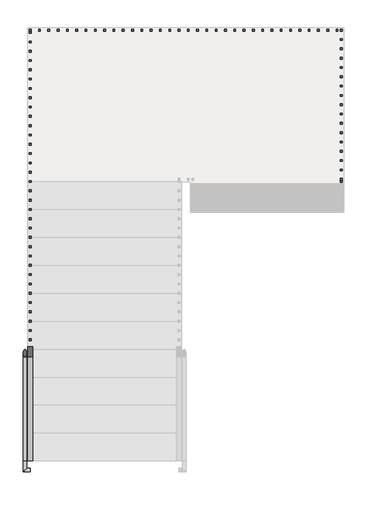
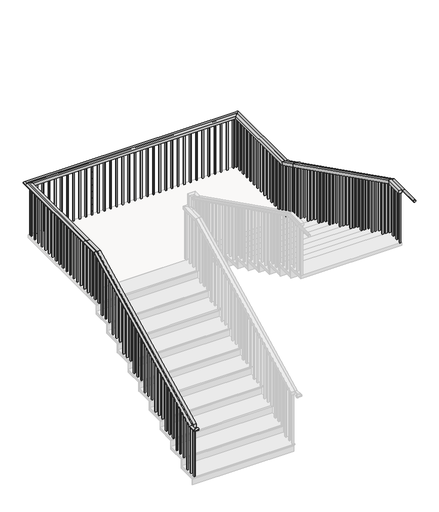
# One storey, part 2 of 3: 1 railing.
"""IFC4 building model written with IfcOpenShell, lengths in millimetres."""

from ifc_helpers import new_model, si_unit, frame, origin, place, context, project, spatial, polyline, circle_curve, ellipse_curve, outline, extrude, faceted_brep, element, save
from ifc_brep_helpers import plane_surface, cylinder_surface, advanced_brep

model = new_model("IFC4")

# Units and contexts
model_context = context("Model", 3, world=origin())
ifc_project = project(units=[si_unit("LENGTHUNIT", "METRE", prefix="MILLI")], contexts=[model_context])

# Site, building, storey
site = spatial("IfcSite", under=ifc_project)
building = spatial("IfcBuilding", under=site)
storey = spatial("IfcBuildingStorey", under=building, Elevation=-3632.2)

# Railing
placement = place(None, origin())
element("IfcRailing", 1, ObjectType="Handrail - Rectangular", at=placement, inside=storey, context=model_context, shape_type="SolidModel", body=[
    advanced_brep(
    [(-156546.9011888, 221692.8927694, -3016.25), (-156508.8011888, 221692.8927694, -3016.25), (-156508.8011888, 224436.0927694, -1644.65), (-156546.9011888, 224436.0927694, -1644.65), (-156508.8011888, 224736.3956745, -1644.65), (-156546.9011888, 224736.3956745, -1644.65), (-156508.8011888, 226425.4956745, -1644.65), (-156546.9011888, 226463.5956745, -1644.65), (-153031.8739901, 226425.4956745, -1644.65), (-152993.7739901, 226463.5956745, -1644.65), (-153031.8739901, 225036.6985795, -1644.65), (-152993.7739901, 225036.6985795, -1644.65), (-153031.8739901, 224727.8762555, -1490.238838), (-152993.7739901, 224727.8762555, -1490.238838), (-153031.8739901, 221988.6985795, -120.65), (-152993.7739901, 221988.6985795, -120.65), (-153031.8739901, 221688.3956745, -120.65), (-152993.7739901, 221688.3956745, -120.65), (-156470.7011888, 221605.8456745, -3016.25), (-156470.7011888, 221567.7456745, -3016.25), (-156508.8011888, 221605.8456745, -3016.25), (-156546.9011888, 221567.7456745, -3016.25), (-153031.8739901, 221383.5956745, -120.65), (-152993.7739901, 221383.5956745, -120.65)],
    [
        (0, 1, ellipse_curve(frame((-156527.8511888, 221692.8927694, -3016.25), z_axis=(0.0, 0.9732489894677302, 0.22975292054736124), x_axis=(0.0, 0.22975292054736138, -0.97324898946773)), 19.573614, 19.05)),
        (1, 2),
        (2, 3, ellipse_curve(frame((-156527.8511888, 224436.0927694, -1644.65), z_axis=(0.0, -0.9732489894677302, -0.22975292054736132), x_axis=(0.0, 0.2297529205473615, -0.9732489894677301)), 19.573614, 19.05)),
        (3, 0),
        (1, 0, ellipse_curve(frame((-156527.8511888, 221692.8927694, -3016.25), z_axis=(0.0, 0.9732489894677302, 0.22975292054736124), x_axis=(0.0, 0.22975292054736138, -0.97324898946773)), 19.573614, 19.05)),
        (3, 2, ellipse_curve(frame((-156527.8511888, 224436.0927694, -1644.65), z_axis=(0.0, -0.9732489894677302, -0.22975292054736132), x_axis=(0.0, 0.2297529205473615, -0.9732489894677301)), 19.573614, 19.05)),
        (2, 4),
        (4, 5, circle_curve(frame((-156527.8511888, 224736.3956745, -1644.65), z_axis=(0.0, -1.0, 0.0), x_axis=(-1.0, 0.0, 0.0)), 19.05)),
        (5, 3),
        (5, 4, circle_curve(frame((-156527.8511888, 224736.3956745, -1644.65), z_axis=(0.0, -1.0, 0.0), x_axis=(-1.0, 0.0, 0.0)), 19.05)),
        (4, 6),
        (6, 7, ellipse_curve(frame((-156527.8511888, 226444.5456745, -1644.65), z_axis=(-0.7071067811865475, -0.7071067811865475, 0.0), x_axis=(0.7071067811865474, -0.7071067811865476, 0.0)), 26.9407684, 19.05)),
        (7, 5),
        (7, 6, ellipse_curve(frame((-156527.8511888, 226444.5456745, -1644.65), z_axis=(-0.7071067811865475, -0.7071067811865475, 0.0), x_axis=(0.7071067811865474, -0.7071067811865476, 0.0)), 26.9407684, 19.05)),
        (6, 8),
        (8, 9, ellipse_curve(frame((-153012.8239901, 226444.5456745, -1644.65), z_axis=(-0.7071067811865475, 0.7071067811865475, 0.0), x_axis=(-0.7071067811865476, -0.7071067811865474, 0.0)), 26.9407684, 19.05)),
        (9, 7),
        (9, 8, ellipse_curve(frame((-153012.8239901, 226444.5456745, -1644.65), z_axis=(-0.7071067811865475, 0.7071067811865475, 0.0), x_axis=(-0.7071067811865476, -0.7071067811865474, 0.0)), 26.9407684, 19.05)),
        (8, 10),
        (10, 11, ellipse_curve(frame((-153012.8239901, 225036.6985795, -1644.65), z_axis=(0.0, 0.9732489894677302, -0.22975292054736143), x_axis=(0.0, 0.2297529205473609, 0.9732489894677301)), 19.573614, 19.05)),
        (11, 9),
        (11, 10, ellipse_curve(frame((-153012.8239901, 225036.6985795, -1644.65), z_axis=(0.0, 0.9732489894677302, -0.22975292054736143), x_axis=(0.0, 0.2297529205473609, 0.9732489894677301)), 19.573614, 19.05)),
        (10, 12),
        (12, 13, circle_curve(frame((-153012.8239901, 224727.8762555, -1490.238838), z_axis=(0.0, 0.8944271909999157, -0.4472135954999582), x_axis=(1.0, 0.0, 0.0)), 19.05)),
        (13, 11),
        (13, 12, circle_curve(frame((-153012.8239901, 224727.8762555, -1490.238838), z_axis=(0.0, 0.8944271909999157, -0.4472135954999582), x_axis=(1.0, 0.0, 0.0)), 19.05)),
        (12, 14),
        (14, 15, ellipse_curve(frame((-153012.8239901, 221988.6985795, -120.65), z_axis=(0.0, 0.9732489894677302, -0.22975292054736152), x_axis=(0.0, -0.22975292054736196, -0.97324898946773)), 19.573614, 19.05)),
        (15, 13),
        (15, 14, ellipse_curve(frame((-153012.8239901, 221988.6985795, -120.65), z_axis=(0.0, 0.9732489894677302, -0.22975292054736152), x_axis=(0.0, -0.22975292054736196, -0.97324898946773)), 19.573614, 19.05)),
        (14, 16),
        (16, 17, circle_curve(frame((-153012.8239901, 221688.3956745, -120.65), z_axis=(0.0, 1.0, 0.0), x_axis=(1.0, 0.0, 0.0)), 19.05)),
        (17, 15),
        (17, 16, circle_curve(frame((-153012.8239901, 221688.3956745, -120.65), z_axis=(0.0, 1.0, 0.0), x_axis=(1.0, 0.0, 0.0)), 19.05)),
        (18, 19, circle_curve(frame((-156470.7011888, 221586.7956745, -3016.25), z_axis=(1.0, 0.0, 0.0), x_axis=(0.0, -1.0, 0.0)), 19.05)),
        (19, 18, circle_curve(frame((-156470.7011888, 221586.7956745, -3016.25), z_axis=(1.0, 0.0, 0.0), x_axis=(0.0, -1.0, 0.0)), 19.05)),
        (18, 20),
        (20, 21, ellipse_curve(frame((-156527.8511888, 221586.7956745, -3016.25), z_axis=(0.7071067811865475, -0.7071067811865475, 0.0), x_axis=(0.7071067811865476, 0.7071067811865474, 0.0)), 26.9407684, 19.05)),
        (21, 19),
        (21, 20, ellipse_curve(frame((-156527.8511888, 221586.7956745, -3016.25), z_axis=(0.7071067811865475, -0.7071067811865475, 0.0), x_axis=(0.7071067811865476, 0.7071067811865474, 0.0)), 26.9407684, 19.05)),
        (20, 1),
        (0, 21),
        (22, 23, circle_curve(frame((-153012.8239901, 221383.5956745, -120.65), z_axis=(0.0, -1.0, 0.0), x_axis=(1.0, 0.0, 0.0)), 19.05)),
        (23, 22, circle_curve(frame((-153012.8239901, 221383.5956745, -120.65), z_axis=(0.0, -1.0, 0.0), x_axis=(1.0, 0.0, 0.0)), 19.05)),
        (16, 22),
        (23, 17),
    ],
    [
        cylinder_surface(frame((-156527.8511888, 221696.9150935, -3014.238838), z_axis=(0.0, -0.8944271909999159, -0.44721359549995804), x_axis=(-1.0, 0.0, 0.0)), 19.05),
        cylinder_surface(frame((-156527.8511888, 224431.5956745, -1644.65), z_axis=(0.0, -1.0, 0.0), x_axis=(-1.0, 0.0, 0.0)), 19.05),
        cylinder_surface(frame((-156527.8511888, 224736.3956745, -1644.65), z_axis=(0.0, -1.0, 0.0), x_axis=(-1.0, 0.0, 0.0)), 19.05),
        cylinder_surface(frame((-156527.8511888, 226444.5456745, -1644.65), z_axis=(-1.0, 0.0, 0.0), x_axis=(0.0, 1.0, 0.0)), 19.05),
        cylinder_surface(frame((-153012.8239901, 226444.5456745, -1644.65), z_axis=(0.0, 1.0, 0.0), x_axis=(1.0, 0.0, 0.0)), 19.05),
        cylinder_surface(frame((-153012.8239901, 225032.6762555, -1642.638838), z_axis=(0.0, 0.8944271909999157, -0.4472135954999582), x_axis=(1.0, 0.0, 0.0)), 19.05),
        cylinder_surface(frame((-153012.8239901, 224727.8762555, -1490.238838), z_axis=(0.0, 0.8944271909999157, -0.4472135954999582), x_axis=(1.0, 0.0, 0.0)), 19.05),
        cylinder_surface(frame((-153012.8239901, 221993.1956745, -120.65), z_axis=(0.0, 1.0, 0.0), x_axis=(1.0, 0.0, 0.0)), 19.05),
        plane_surface(frame((-156470.7011888, 221586.7956745, -2997.2), z_axis=(1.0, 0.0, 0.0), x_axis=(0.0, -1.0, 0.0))),
        cylinder_surface(frame((-156470.7011888, 221586.7956745, -3016.25), z_axis=(1.0, 0.0, 0.0), x_axis=(0.0, -1.0, 0.0)), 19.05),
        cylinder_surface(frame((-156527.8511888, 221586.7956745, -3016.25), z_axis=(0.0, -1.0, 0.0), x_axis=(-1.0, 0.0, 0.0)), 19.05),
        plane_surface(frame((-153012.8239901, 221383.5956745, -101.6), z_axis=(0.0, -1.0, 0.0), x_axis=(0.0, 0.0, -1.0))),
        cylinder_surface(frame((-153012.8239901, 221688.3956745, -120.65), z_axis=(0.0, 1.0, 0.0), x_axis=(1.0, 0.0, 0.0)), 19.05),
    ],
    [
        (0, [[1, 2, 3, 4]]),
        (0, [[5, -4, 6, -2]]),
        (1, [[-3, 7, 8, 9]]),
        (1, [[-6, -9, 10, -7]]),
        (2, [[-8, 11, 12, 13]]),
        (2, [[-10, -13, 14, -11]]),
        (3, [[-12, 15, 16, 17]]),
        (3, [[-14, -17, 18, -15]]),
        (4, [[-16, 19, 20, 21]]),
        (4, [[-18, -21, 22, -19]]),
        (5, [[-20, 23, 24, 25]]),
        (5, [[-22, -25, 26, -23]]),
        (6, [[-24, 27, 28, 29]]),
        (6, [[-26, -29, 30, -27]]),
        (7, [[-28, 31, 32, 33]]),
        (7, [[-30, -33, 34, -31]]),
        (8, [[35, 36]]),
        (9, [[-35, 37, 38, 39]]),
        (9, [[-36, -39, 40, -37]]),
        (10, [[-38, 41, -1, 42]]),
        (10, [[-40, -42, -5, -41]]),
        (11, [[43, 44]]),
        (12, [[-32, 45, -44, 46]]),
        (12, [[-34, -46, -43, -45]]),
    ],
),
    faceted_brep([(-156496.1011888, 221688.3956745, -2997.2), (-156496.1011888, 221688.3956745, -3053.9961266), (-156445.3011888, 221688.3956745, -3053.9961266), (-156445.3011888, 221688.3956745, -2997.2), (-156496.1011888, 224431.5956745, -1625.6), (-156496.1011888, 224443.5879277, -1676.4), (-156445.3011888, 224443.5879277, -1676.4), (-156445.3011888, 224431.5956745, -1625.6), (-156496.1011888, 224736.3956745, -1625.6), (-156496.1011888, 224736.3956745, -1676.4), (-156445.3011888, 224736.3956745, -1676.4), (-156445.3011888, 224736.3956745, -1625.6), (-156496.1011888, 226412.7956745, -1625.6), (-156496.1011888, 226412.7956745, -1676.4), (-156445.3011888, 226361.9956745, -1676.4), (-156445.3011888, 226361.9956745, -1625.6), (-153044.5739901, 226412.7956745, -1625.6), (-153044.5739901, 226412.7956745, -1676.4), (-153095.3739901, 226361.9956745, -1676.4), (-153095.3739901, 226361.9956745, -1625.6), (-153044.5739901, 225041.1956745, -1625.6), (-153044.5739901, 225029.2034212, -1676.4), (-153095.3739901, 225029.2034212, -1676.4), (-153095.3739901, 225041.1956745, -1625.6), (-153044.5739901, 224736.3956745, -1473.2), (-153044.5739901, 224713.6772238, -1518.6369013), (-153095.3739901, 224713.6772238, -1518.6369013), (-153095.3739901, 224736.3956745, -1473.2), (-153044.5739901, 221993.1956745, -101.6), (-153044.5739901, 221981.2034212, -152.4), (-153095.3739901, 221981.2034212, -152.4), (-153095.3739901, 221993.1956745, -101.6), (-153044.5739901, 221688.3956745, -101.6), (-153095.3739901, 221688.3956745, -101.6), (-153095.3739901, 221688.3956745, -152.4), (-153044.5739901, 221688.3956745, -152.4)], [[[0, 1, 2, 3]], [[1, 0, 4, 5]], [[2, 1, 5, 6]], [[3, 2, 6, 7]], [[0, 3, 7, 4]], [[5, 4, 8, 9]], [[6, 5, 9, 10]], [[7, 6, 10, 11]], [[4, 7, 11, 8]], [[9, 8, 12, 13]], [[10, 9, 13, 14]], [[11, 10, 14, 15]], [[8, 11, 15, 12]], [[13, 12, 16, 17]], [[14, 13, 17, 18]], [[15, 14, 18, 19]], [[12, 15, 19, 16]], [[17, 16, 20, 21]], [[18, 17, 21, 22]], [[19, 18, 22, 23]], [[16, 19, 23, 20]], [[21, 20, 24, 25]], [[22, 21, 25, 26]], [[23, 22, 26, 27]], [[20, 23, 27, 24]], [[25, 24, 28, 29]], [[26, 25, 29, 30]], [[27, 26, 30, 31]], [[24, 27, 31, 28]], [[32, 33, 34, 35]], [[29, 28, 32, 35]], [[30, 29, 35, 34]], [[31, 30, 34, 33]], [[28, 31, 33, 32]]]),
    extrude(outline(polyline([(-153060.4489901, 221799.5206745), (-153060.4489901, 221780.4706745), (-153079.4989901, 221780.4706745), (-153079.4989901, 221799.5206745), (-153060.4489901, 221799.5206745)])), frame((0.0, 0.0, -1016.0), z_axis=(0.0, 0.0, 1.0), x_axis=(1.0, 0.0, 0.0)), (0.0, 0.0, 1.0), 863.6),
    extrude(outline(polyline([(-153060.4489901, 221901.1206745), (-153060.4489901, 221882.0706745), (-153079.4989901, 221882.0706745), (-153079.4989901, 221901.1206745), (-153060.4489901, 221901.1206745)])), frame((0.0, 0.0, -1016.0), z_axis=(0.0, 0.0, 1.0), x_axis=(1.0, 0.0, 0.0)), (0.0, 0.0, 1.0), 863.6),
    extrude(outline(polyline([(222002.7206745, -163.1586266), (222002.7206745, -1016.0), (221983.6706745, -1016.0), (221983.6706745, -153.6336266), (222002.7206745, -163.1586266)])), frame((-153079.4989901, 0.0, 0.0), z_axis=(1.0, 0.0, 0.0), x_axis=(0.0, 1.0, 0.0)), (0.0, 0.0, 1.0), 19.05),
    extrude(outline(polyline([(222104.3206745, -213.9586266), (222104.3206745, -1168.4), (222085.2706745, -1168.4), (222085.2706745, -204.4336266), (222104.3206745, -213.9586266)])), frame((-153079.4989901, 0.0, 0.0), z_axis=(1.0, 0.0, 0.0), x_axis=(0.0, 1.0, 0.0)), (0.0, 0.0, 1.0), 19.05),
    extrude(outline(polyline([(222205.9206745, -264.7586266), (222205.9206745, -1168.4), (222186.8706745, -1168.4), (222186.8706745, -255.2336266), (222205.9206745, -264.7586266)])), frame((-153079.4989901, 0.0, 0.0), z_axis=(1.0, 0.0, 0.0), x_axis=(0.0, 1.0, 0.0)), (0.0, 0.0, 1.0), 19.05),
    extrude(outline(polyline([(222307.5206745, -315.5586266), (222307.5206745, -1168.4), (222288.4706745, -1168.4), (222288.4706745, -306.0336266), (222307.5206745, -315.5586266)])), frame((-153079.4989901, 0.0, 0.0), z_axis=(1.0, 0.0, 0.0), x_axis=(0.0, 1.0, 0.0)), (0.0, 0.0, 1.0), 19.05),
    extrude(outline(polyline([(222409.1206745, -366.3586266), (222409.1206745, -1320.8), (222390.0706745, -1320.8), (222390.0706745, -356.8336266), (222409.1206745, -366.3586266)])), frame((-153079.4989901, 0.0, 0.0), z_axis=(1.0, 0.0, 0.0), x_axis=(0.0, 1.0, 0.0)), (0.0, 0.0, 1.0), 19.05),
    extrude(outline(polyline([(222510.7206745, -417.1586266), (222510.7206745, -1320.8), (222491.6706745, -1320.8), (222491.6706745, -407.6336266), (222510.7206745, -417.1586266)])), frame((-153079.4989901, 0.0, 0.0), z_axis=(1.0, 0.0, 0.0), x_axis=(0.0, 1.0, 0.0)), (0.0, 0.0, 1.0), 19.05),
    extrude(outline(polyline([(222612.3206745, -467.9586266), (222612.3206745, -1320.8), (222593.2706745, -1320.8), (222593.2706745, -458.4336266), (222612.3206745, -467.9586266)])), frame((-153079.4989901, 0.0, 0.0), z_axis=(1.0, 0.0, 0.0), x_axis=(0.0, 1.0, 0.0)), (0.0, 0.0, 1.0), 19.05),
    extrude(outline(polyline([(222713.9206745, -518.7586266), (222713.9206745, -1473.2), (222694.8706745, -1473.2), (222694.8706745, -509.2336266), (222713.9206745, -518.7586266)])), frame((-153079.4989901, 0.0, 0.0), z_axis=(1.0, 0.0, 0.0), x_axis=(0.0, 1.0, 0.0)), (0.0, 0.0, 1.0), 19.05),
    extrude(outline(polyline([(222815.5206745, -569.5586266), (222815.5206745, -1473.2), (222796.4706745, -1473.2), (222796.4706745, -560.0336266), (222815.5206745, -569.5586266)])), frame((-153079.4989901, 0.0, 0.0), z_axis=(1.0, 0.0, 0.0), x_axis=(0.0, 1.0, 0.0)), (0.0, 0.0, 1.0), 19.05),
    extrude(outline(polyline([(222917.1206745, -620.3586266), (222917.1206745, -1473.2), (222898.0706745, -1473.2), (222898.0706745, -610.8336266), (222917.1206745, -620.3586266)])), frame((-153079.4989901, 0.0, 0.0), z_axis=(1.0, 0.0, 0.0), x_axis=(0.0, 1.0, 0.0)), (0.0, 0.0, 1.0), 19.05),
    extrude(outline(polyline([(223018.7206745, -671.1586266), (223018.7206745, -1625.6), (222999.6706745, -1625.6), (222999.6706745, -661.6336266), (223018.7206745, -671.1586266)])), frame((-153079.4989901, 0.0, 0.0), z_axis=(1.0, 0.0, 0.0), x_axis=(0.0, 1.0, 0.0)), (0.0, 0.0, 1.0), 19.05),
    extrude(outline(polyline([(223120.3206745, -721.9586266), (223120.3206745, -1625.6), (223101.2706745, -1625.6), (223101.2706745, -712.4336266), (223120.3206745, -721.9586266)])), frame((-153079.4989901, 0.0, 0.0), z_axis=(1.0, 0.0, 0.0), x_axis=(0.0, 1.0, 0.0)), (0.0, 0.0, 1.0), 19.05),
    extrude(outline(polyline([(223221.9206745, -772.7586266), (223221.9206745, -1625.6), (223202.8706745, -1625.6), (223202.8706745, -763.2336266), (223221.9206745, -772.7586266)])), frame((-153079.4989901, 0.0, 0.0), z_axis=(1.0, 0.0, 0.0), x_axis=(0.0, 1.0, 0.0)), (0.0, 0.0, 1.0), 19.05),
    extrude(outline(polyline([(223323.5206745, -823.5586266), (223323.5206745, -1778.0), (223304.4706745, -1778.0), (223304.4706745, -814.0336266), (223323.5206745, -823.5586266)])), frame((-153079.4989901, 0.0, 0.0), z_axis=(1.0, 0.0, 0.0), x_axis=(0.0, 1.0, 0.0)), (0.0, 0.0, 1.0), 19.05),
    extrude(outline(polyline([(223425.1206745, -874.3586266), (223425.1206745, -1778.0), (223406.0706745, -1778.0), (223406.0706745, -864.8336266), (223425.1206745, -874.3586266)])), frame((-153079.4989901, 0.0, 0.0), z_axis=(1.0, 0.0, 0.0), x_axis=(0.0, 1.0, 0.0)), (0.0, 0.0, 1.0), 19.05),
    extrude(outline(polyline([(223526.7206745, -925.1586266), (223526.7206745, -1778.0), (223507.6706745, -1778.0), (223507.6706745, -915.6336266), (223526.7206745, -925.1586266)])), frame((-153079.4989901, 0.0, 0.0), z_axis=(1.0, 0.0, 0.0), x_axis=(0.0, 1.0, 0.0)), (0.0, 0.0, 1.0), 19.05),
    extrude(outline(polyline([(223628.3206745, -975.9586266), (223628.3206745, -1930.4), (223609.2706745, -1930.4), (223609.2706745, -966.4336266), (223628.3206745, -975.9586266)])), frame((-153079.4989901, 0.0, 0.0), z_axis=(1.0, 0.0, 0.0), x_axis=(0.0, 1.0, 0.0)), (0.0, 0.0, 1.0), 19.05),
    extrude(outline(polyline([(223729.9206745, -1026.7586266), (223729.9206745, -1930.4), (223710.8706745, -1930.4), (223710.8706745, -1017.2336266), (223729.9206745, -1026.7586266)])), frame((-153079.4989901, 0.0, 0.0), z_axis=(1.0, 0.0, 0.0), x_axis=(0.0, 1.0, 0.0)), (0.0, 0.0, 1.0), 19.05),
    extrude(outline(polyline([(223831.5206745, -1077.5586266), (223831.5206745, -1930.4), (223812.4706745, -1930.4), (223812.4706745, -1068.0336266), (223831.5206745, -1077.5586266)])), frame((-153079.4989901, 0.0, 0.0), z_axis=(1.0, 0.0, 0.0), x_axis=(0.0, 1.0, 0.0)), (0.0, 0.0, 1.0), 19.05),
    extrude(outline(polyline([(223933.1206745, -1128.3586266), (223933.1206745, -2082.8), (223914.0706745, -2082.8), (223914.0706745, -1118.8336266), (223933.1206745, -1128.3586266)])), frame((-153079.4989901, 0.0, 0.0), z_axis=(1.0, 0.0, 0.0), x_axis=(0.0, 1.0, 0.0)), (0.0, 0.0, 1.0), 19.05),
    extrude(outline(polyline([(224034.7206745, -1179.1586266), (224034.7206745, -2082.8), (224015.6706745, -2082.8), (224015.6706745, -1169.6336266), (224034.7206745, -1179.1586266)])), frame((-153079.4989901, 0.0, 0.0), z_axis=(1.0, 0.0, 0.0), x_axis=(0.0, 1.0, 0.0)), (0.0, 0.0, 1.0), 19.05),
    extrude(outline(polyline([(224136.3206745, -1229.9586266), (224136.3206745, -2082.8), (224117.2706745, -2082.8), (224117.2706745, -1220.4336266), (224136.3206745, -1229.9586266)])), frame((-153079.4989901, 0.0, 0.0), z_axis=(1.0, 0.0, 0.0), x_axis=(0.0, 1.0, 0.0)), (0.0, 0.0, 1.0), 19.05),
    extrude(outline(polyline([(224237.9206745, -1280.7586266), (224237.9206745, -2235.2), (224218.8706745, -2235.2), (224218.8706745, -1271.2336266), (224237.9206745, -1280.7586266)])), frame((-153079.4989901, 0.0, 0.0), z_axis=(1.0, 0.0, 0.0), x_axis=(0.0, 1.0, 0.0)), (0.0, 0.0, 1.0), 19.05),
    extrude(outline(polyline([(224339.5206745, -1331.5586266), (224339.5206745, -2235.2), (224320.4706745, -2235.2), (224320.4706745, -1322.0336266), (224339.5206745, -1331.5586266)])), frame((-153079.4989901, 0.0, 0.0), z_axis=(1.0, 0.0, 0.0), x_axis=(0.0, 1.0, 0.0)), (0.0, 0.0, 1.0), 19.05),
    extrude(outline(polyline([(224441.1206745, -1382.3586266), (224441.1206745, -2235.2), (224422.0706745, -2235.2), (224422.0706745, -1372.8336266), (224441.1206745, -1382.3586266)])), frame((-153079.4989901, 0.0, 0.0), z_axis=(1.0, 0.0, 0.0), x_axis=(0.0, 1.0, 0.0)), (0.0, 0.0, 1.0), 19.05),
    extrude(outline(polyline([(224542.7206745, -1433.1586266), (224542.7206745, -2387.6), (224523.6706745, -2387.6), (224523.6706745, -1423.6336266), (224542.7206745, -1433.1586266)])), frame((-153079.4989901, 0.0, 0.0), z_axis=(1.0, 0.0, 0.0), x_axis=(0.0, 1.0, 0.0)), (0.0, 0.0, 1.0), 19.05),
    extrude(outline(polyline([(224644.3206745, -1483.9586266), (224644.3206745, -2387.6), (224625.2706745, -2387.6), (224625.2706745, -1474.4336266), (224644.3206745, -1483.9586266)])), frame((-153079.4989901, 0.0, 0.0), z_axis=(1.0, 0.0, 0.0), x_axis=(0.0, 1.0, 0.0)), (0.0, 0.0, 1.0), 19.05),
    extrude(outline(polyline([(224771.3206745, -1547.4586266), (224771.3206745, -2540.0), (224752.2706745, -2540.0), (224752.2706745, -1537.9336266), (224771.3206745, -1547.4586266)])), frame((-153079.4989901, 0.0, 0.0), z_axis=(1.0, 0.0, 0.0), x_axis=(0.0, 1.0, 0.0)), (0.0, 0.0, 1.0), 19.05),
    extrude(outline(polyline([(224872.9206745, -1598.2586266), (224872.9206745, -2540.0), (224853.8706745, -2540.0), (224853.8706745, -1588.7336266), (224872.9206745, -1598.2586266)])), frame((-153079.4989901, 0.0, 0.0), z_axis=(1.0, 0.0, 0.0), x_axis=(0.0, 1.0, 0.0)), (0.0, 0.0, 1.0), 19.05),
    extrude(outline(polyline([(224974.5206745, -1649.0586266), (224974.5206745, -2540.0), (224955.4706745, -2540.0), (224955.4706745, -1639.5336266), (224974.5206745, -1649.0586266)])), frame((-153079.4989901, 0.0, 0.0), z_axis=(1.0, 0.0, 0.0), x_axis=(0.0, 1.0, 0.0)), (0.0, 0.0, 1.0), 19.05),
    extrude(outline(polyline([(-153060.4489901, 225076.1206745), (-153060.4489901, 225057.0706745), (-153079.4989901, 225057.0706745), (-153079.4989901, 225076.1206745), (-153060.4489901, 225076.1206745)])), frame((0.0, 0.0, -2540.0), z_axis=(0.0, 0.0, 1.0), x_axis=(1.0, 0.0, 0.0)), (0.0, 0.0, 1.0), 863.6),
    extrude(outline(polyline([(-153060.4489901, 225177.7206745), (-153060.4489901, 225158.6706745), (-153079.4989901, 225158.6706745), (-153079.4989901, 225177.7206745), (-153060.4489901, 225177.7206745)])), frame((0.0, 0.0, -2540.0), z_axis=(0.0, 0.0, 1.0), x_axis=(1.0, 0.0, 0.0)), (0.0, 0.0, 1.0), 863.6),
    extrude(outline(polyline([(-153060.4489901, 225279.3206745), (-153060.4489901, 225260.2706745), (-153079.4989901, 225260.2706745), (-153079.4989901, 225279.3206745), (-153060.4489901, 225279.3206745)])), frame((0.0, 0.0, -2540.0), z_axis=(0.0, 0.0, 1.0), x_axis=(1.0, 0.0, 0.0)), (0.0, 0.0, 1.0), 863.6),
    extrude(outline(polyline([(-153060.4489901, 225380.9206745), (-153060.4489901, 225361.8706745), (-153079.4989901, 225361.8706745), (-153079.4989901, 225380.9206745), (-153060.4489901, 225380.9206745)])), frame((0.0, 0.0, -2540.0), z_axis=(0.0, 0.0, 1.0), x_axis=(1.0, 0.0, 0.0)), (0.0, 0.0, 1.0), 863.6),
    extrude(outline(polyline([(-153060.4489901, 225482.5206745), (-153060.4489901, 225463.4706745), (-153079.4989901, 225463.4706745), (-153079.4989901, 225482.5206745), (-153060.4489901, 225482.5206745)])), frame((0.0, 0.0, -2540.0), z_axis=(0.0, 0.0, 1.0), x_axis=(1.0, 0.0, 0.0)), (0.0, 0.0, 1.0), 863.6),
    extrude(outline(polyline([(-153060.4489901, 225584.1206745), (-153060.4489901, 225565.0706745), (-153079.4989901, 225565.0706745), (-153079.4989901, 225584.1206745), (-153060.4489901, 225584.1206745)])), frame((0.0, 0.0, -2540.0), z_axis=(0.0, 0.0, 1.0), x_axis=(1.0, 0.0, 0.0)), (0.0, 0.0, 1.0), 863.6),
    extrude(outline(polyline([(-153060.4489901, 225685.7206745), (-153060.4489901, 225666.6706745), (-153079.4989901, 225666.6706745), (-153079.4989901, 225685.7206745), (-153060.4489901, 225685.7206745)])), frame((0.0, 0.0, -2540.0), z_axis=(0.0, 0.0, 1.0), x_axis=(1.0, 0.0, 0.0)), (0.0, 0.0, 1.0), 863.6),
    extrude(outline(polyline([(-153060.4489901, 225787.3206745), (-153060.4489901, 225768.2706745), (-153079.4989901, 225768.2706745), (-153079.4989901, 225787.3206745), (-153060.4489901, 225787.3206745)])), frame((0.0, 0.0, -2540.0), z_axis=(0.0, 0.0, 1.0), x_axis=(1.0, 0.0, 0.0)), (0.0, 0.0, 1.0), 863.6),
    extrude(outline(polyline([(-153060.4489901, 225888.9206745), (-153060.4489901, 225869.8706745), (-153079.4989901, 225869.8706745), (-153079.4989901, 225888.9206745), (-153060.4489901, 225888.9206745)])), frame((0.0, 0.0, -2540.0), z_axis=(0.0, 0.0, 1.0), x_axis=(1.0, 0.0, 0.0)), (0.0, 0.0, 1.0), 863.6),
    extrude(outline(polyline([(-153060.4489901, 225990.5206745), (-153060.4489901, 225971.4706745), (-153079.4989901, 225971.4706745), (-153079.4989901, 225990.5206745), (-153060.4489901, 225990.5206745)])), frame((0.0, 0.0, -2540.0), z_axis=(0.0, 0.0, 1.0), x_axis=(1.0, 0.0, 0.0)), (0.0, 0.0, 1.0), 863.6),
    extrude(outline(polyline([(-153060.4489901, 226092.1206745), (-153060.4489901, 226073.0706745), (-153079.4989901, 226073.0706745), (-153079.4989901, 226092.1206745), (-153060.4489901, 226092.1206745)])), frame((0.0, 0.0, -2540.0), z_axis=(0.0, 0.0, 1.0), x_axis=(1.0, 0.0, 0.0)), (0.0, 0.0, 1.0), 863.6),
    extrude(outline(polyline([(-153060.4489901, 226193.7206745), (-153060.4489901, 226174.6706745), (-153079.4989901, 226174.6706745), (-153079.4989901, 226193.7206745), (-153060.4489901, 226193.7206745)])), frame((0.0, 0.0, -2540.0), z_axis=(0.0, 0.0, 1.0), x_axis=(1.0, 0.0, 0.0)), (0.0, 0.0, 1.0), 863.6),
    extrude(outline(polyline([(-153060.4489901, 226295.3206745), (-153060.4489901, 226276.2706745), (-153079.4989901, 226276.2706745), (-153079.4989901, 226295.3206745), (-153060.4489901, 226295.3206745)])), frame((0.0, 0.0, -2540.0), z_axis=(0.0, 0.0, 1.0), x_axis=(1.0, 0.0, 0.0)), (0.0, 0.0, 1.0), 863.6),
    extrude(outline(polyline([(-153127.4261888, 226396.9206745), (-153108.3761888, 226396.9206745), (-153108.3761888, 226377.8706745), (-153127.4261888, 226377.8706745), (-153127.4261888, 226396.9206745)])), frame((0.0, 0.0, -2540.0), z_axis=(0.0, 0.0, 1.0), x_axis=(1.0, 0.0, 0.0)), (0.0, 0.0, 1.0), 863.6),
    extrude(outline(polyline([(-153229.0261888, 226396.9206745), (-153209.9761888, 226396.9206745), (-153209.9761888, 226377.8706745), (-153229.0261888, 226377.8706745), (-153229.0261888, 226396.9206745)])), frame((0.0, 0.0, -2540.0), z_axis=(0.0, 0.0, 1.0), x_axis=(1.0, 0.0, 0.0)), (0.0, 0.0, 1.0), 863.6),
    extrude(outline(polyline([(-153330.6261888, 226396.9206745), (-153311.5761888, 226396.9206745), (-153311.5761888, 226377.8706745), (-153330.6261888, 226377.8706745), (-153330.6261888, 226396.9206745)])), frame((0.0, 0.0, -2540.0), z_axis=(0.0, 0.0, 1.0), x_axis=(1.0, 0.0, 0.0)), (0.0, 0.0, 1.0), 863.6),
    extrude(outline(polyline([(-153432.2261888, 226396.9206745), (-153413.1761888, 226396.9206745), (-153413.1761888, 226377.8706745), (-153432.2261888, 226377.8706745), (-153432.2261888, 226396.9206745)])), frame((0.0, 0.0, -2540.0), z_axis=(0.0, 0.0, 1.0), x_axis=(1.0, 0.0, 0.0)), (0.0, 0.0, 1.0), 863.6),
    extrude(outline(polyline([(-153533.8261888, 226396.9206745), (-153514.7761888, 226396.9206745), (-153514.7761888, 226377.8706745), (-153533.8261888, 226377.8706745), (-153533.8261888, 226396.9206745)])), frame((0.0, 0.0, -2540.0), z_axis=(0.0, 0.0, 1.0), x_axis=(1.0, 0.0, 0.0)), (0.0, 0.0, 1.0), 863.6),
    extrude(outline(polyline([(-153635.4261888, 226396.9206745), (-153616.3761888, 226396.9206745), (-153616.3761888, 226377.8706745), (-153635.4261888, 226377.8706745), (-153635.4261888, 226396.9206745)])), frame((0.0, 0.0, -2540.0), z_axis=(0.0, 0.0, 1.0), x_axis=(1.0, 0.0, 0.0)), (0.0, 0.0, 1.0), 863.6),
    extrude(outline(polyline([(-153737.0261888, 226396.9206745), (-153717.9761888, 226396.9206745), (-153717.9761888, 226377.8706745), (-153737.0261888, 226377.8706745), (-153737.0261888, 226396.9206745)])), frame((0.0, 0.0, -2540.0), z_axis=(0.0, 0.0, 1.0), x_axis=(1.0, 0.0, 0.0)), (0.0, 0.0, 1.0), 863.6),
    extrude(outline(polyline([(-153838.6261888, 226396.9206745), (-153819.5761888, 226396.9206745), (-153819.5761888, 226377.8706745), (-153838.6261888, 226377.8706745), (-153838.6261888, 226396.9206745)])), frame((0.0, 0.0, -2540.0), z_axis=(0.0, 0.0, 1.0), x_axis=(1.0, 0.0, 0.0)), (0.0, 0.0, 1.0), 863.6),
    extrude(outline(polyline([(-153940.2261888, 226396.9206745), (-153921.1761888, 226396.9206745), (-153921.1761888, 226377.8706745), (-153940.2261888, 226377.8706745), (-153940.2261888, 226396.9206745)])), frame((0.0, 0.0, -2540.0), z_axis=(0.0, 0.0, 1.0), x_axis=(1.0, 0.0, 0.0)), (0.0, 0.0, 1.0), 863.6),
    extrude(outline(polyline([(-154041.8261888, 226396.9206745), (-154022.7761888, 226396.9206745), (-154022.7761888, 226377.8706745), (-154041.8261888, 226377.8706745), (-154041.8261888, 226396.9206745)])), frame((0.0, 0.0, -2540.0), z_axis=(0.0, 0.0, 1.0), x_axis=(1.0, 0.0, 0.0)), (0.0, 0.0, 1.0), 863.6),
    extrude(outline(polyline([(-154143.4261888, 226396.9206745), (-154124.3761888, 226396.9206745), (-154124.3761888, 226377.8706745), (-154143.4261888, 226377.8706745), (-154143.4261888, 226396.9206745)])), frame((0.0, 0.0, -2540.0), z_axis=(0.0, 0.0, 1.0), x_axis=(1.0, 0.0, 0.0)), (0.0, 0.0, 1.0), 863.6),
    extrude(outline(polyline([(-154245.0261888, 226396.9206745), (-154225.9761888, 226396.9206745), (-154225.9761888, 226377.8706745), (-154245.0261888, 226377.8706745), (-154245.0261888, 226396.9206745)])), frame((0.0, 0.0, -2540.0), z_axis=(0.0, 0.0, 1.0), x_axis=(1.0, 0.0, 0.0)), (0.0, 0.0, 1.0), 863.6),
    extrude(outline(polyline([(-154346.6261888, 226396.9206745), (-154327.5761888, 226396.9206745), (-154327.5761888, 226377.8706745), (-154346.6261888, 226377.8706745), (-154346.6261888, 226396.9206745)])), frame((0.0, 0.0, -2540.0), z_axis=(0.0, 0.0, 1.0), x_axis=(1.0, 0.0, 0.0)), (0.0, 0.0, 1.0), 863.6),
    extrude(outline(polyline([(-154448.2261888, 226396.9206745), (-154429.1761888, 226396.9206745), (-154429.1761888, 226377.8706745), (-154448.2261888, 226377.8706745), (-154448.2261888, 226396.9206745)])), frame((0.0, 0.0, -2540.0), z_axis=(0.0, 0.0, 1.0), x_axis=(1.0, 0.0, 0.0)), (0.0, 0.0, 1.0), 863.6),
    extrude(outline(polyline([(-154549.8261888, 226396.9206745), (-154530.7761888, 226396.9206745), (-154530.7761888, 226377.8706745), (-154549.8261888, 226377.8706745), (-154549.8261888, 226396.9206745)])), frame((0.0, 0.0, -2540.0), z_axis=(0.0, 0.0, 1.0), x_axis=(1.0, 0.0, 0.0)), (0.0, 0.0, 1.0), 863.6),
    extrude(outline(polyline([(-154651.4261888, 226396.9206745), (-154632.3761888, 226396.9206745), (-154632.3761888, 226377.8706745), (-154651.4261888, 226377.8706745), (-154651.4261888, 226396.9206745)])), frame((0.0, 0.0, -2540.0), z_axis=(0.0, 0.0, 1.0), x_axis=(1.0, 0.0, 0.0)), (0.0, 0.0, 1.0), 863.6),
    extrude(outline(polyline([(-154753.0261888, 226396.9206745), (-154733.9761888, 226396.9206745), (-154733.9761888, 226377.8706745), (-154753.0261888, 226377.8706745), (-154753.0261888, 226396.9206745)])), frame((0.0, 0.0, -2540.0), z_axis=(0.0, 0.0, 1.0), x_axis=(1.0, 0.0, 0.0)), (0.0, 0.0, 1.0), 863.6),
    extrude(outline(polyline([(-154854.6261888, 226396.9206745), (-154835.5761888, 226396.9206745), (-154835.5761888, 226377.8706745), (-154854.6261888, 226377.8706745), (-154854.6261888, 226396.9206745)])), frame((0.0, 0.0, -2540.0), z_axis=(0.0, 0.0, 1.0), x_axis=(1.0, 0.0, 0.0)), (0.0, 0.0, 1.0), 863.6),
    extrude(outline(polyline([(-154956.2261888, 226396.9206745), (-154937.1761888, 226396.9206745), (-154937.1761888, 226377.8706745), (-154956.2261888, 226377.8706745), (-154956.2261888, 226396.9206745)])), frame((0.0, 0.0, -2540.0), z_axis=(0.0, 0.0, 1.0), x_axis=(1.0, 0.0, 0.0)), (0.0, 0.0, 1.0), 863.6),
    extrude(outline(polyline([(-155057.8261888, 226396.9206745), (-155038.7761888, 226396.9206745), (-155038.7761888, 226377.8706745), (-155057.8261888, 226377.8706745), (-155057.8261888, 226396.9206745)])), frame((0.0, 0.0, -2540.0), z_axis=(0.0, 0.0, 1.0), x_axis=(1.0, 0.0, 0.0)), (0.0, 0.0, 1.0), 863.6),
    extrude(outline(polyline([(-155159.4261888, 226396.9206745), (-155140.3761888, 226396.9206745), (-155140.3761888, 226377.8706745), (-155159.4261888, 226377.8706745), (-155159.4261888, 226396.9206745)])), frame((0.0, 0.0, -2540.0), z_axis=(0.0, 0.0, 1.0), x_axis=(1.0, 0.0, 0.0)), (0.0, 0.0, 1.0), 863.6),
    extrude(outline(polyline([(-155261.0261888, 226396.9206745), (-155241.9761888, 226396.9206745), (-155241.9761888, 226377.8706745), (-155261.0261888, 226377.8706745), (-155261.0261888, 226396.9206745)])), frame((0.0, 0.0, -2540.0), z_axis=(0.0, 0.0, 1.0), x_axis=(1.0, 0.0, 0.0)), (0.0, 0.0, 1.0), 863.6),
    extrude(outline(polyline([(-155362.6261888, 226396.9206745), (-155343.5761888, 226396.9206745), (-155343.5761888, 226377.8706745), (-155362.6261888, 226377.8706745), (-155362.6261888, 226396.9206745)])), frame((0.0, 0.0, -2540.0), z_axis=(0.0, 0.0, 1.0), x_axis=(1.0, 0.0, 0.0)), (0.0, 0.0, 1.0), 863.6),
    extrude(outline(polyline([(-155464.2261888, 226396.9206745), (-155445.1761888, 226396.9206745), (-155445.1761888, 226377.8706745), (-155464.2261888, 226377.8706745), (-155464.2261888, 226396.9206745)])), frame((0.0, 0.0, -2540.0), z_axis=(0.0, 0.0, 1.0), x_axis=(1.0, 0.0, 0.0)), (0.0, 0.0, 1.0), 863.6),
    extrude(outline(polyline([(-155565.8261888, 226396.9206745), (-155546.7761888, 226396.9206745), (-155546.7761888, 226377.8706745), (-155565.8261888, 226377.8706745), (-155565.8261888, 226396.9206745)])), frame((0.0, 0.0, -2540.0), z_axis=(0.0, 0.0, 1.0), x_axis=(1.0, 0.0, 0.0)), (0.0, 0.0, 1.0), 863.6),
    extrude(outline(polyline([(-155667.4261888, 226396.9206745), (-155648.3761888, 226396.9206745), (-155648.3761888, 226377.8706745), (-155667.4261888, 226377.8706745), (-155667.4261888, 226396.9206745)])), frame((0.0, 0.0, -2540.0), z_axis=(0.0, 0.0, 1.0), x_axis=(1.0, 0.0, 0.0)), (0.0, 0.0, 1.0), 863.6),
    extrude(outline(polyline([(-155769.0261888, 226396.9206745), (-155749.9761888, 226396.9206745), (-155749.9761888, 226377.8706745), (-155769.0261888, 226377.8706745), (-155769.0261888, 226396.9206745)])), frame((0.0, 0.0, -2540.0), z_axis=(0.0, 0.0, 1.0), x_axis=(1.0, 0.0, 0.0)), (0.0, 0.0, 1.0), 863.6),
    extrude(outline(polyline([(-155870.6261888, 226396.9206745), (-155851.5761888, 226396.9206745), (-155851.5761888, 226377.8706745), (-155870.6261888, 226377.8706745), (-155870.6261888, 226396.9206745)])), frame((0.0, 0.0, -2540.0), z_axis=(0.0, 0.0, 1.0), x_axis=(1.0, 0.0, 0.0)), (0.0, 0.0, 1.0), 863.6),
    extrude(outline(polyline([(-155972.2261888, 226396.9206745), (-155953.1761888, 226396.9206745), (-155953.1761888, 226377.8706745), (-155972.2261888, 226377.8706745), (-155972.2261888, 226396.9206745)])), frame((0.0, 0.0, -2540.0), z_axis=(0.0, 0.0, 1.0), x_axis=(1.0, 0.0, 0.0)), (0.0, 0.0, 1.0), 863.6),
    extrude(outline(polyline([(-156073.8261888, 226396.9206745), (-156054.7761888, 226396.9206745), (-156054.7761888, 226377.8706745), (-156073.8261888, 226377.8706745), (-156073.8261888, 226396.9206745)])), frame((0.0, 0.0, -2540.0), z_axis=(0.0, 0.0, 1.0), x_axis=(1.0, 0.0, 0.0)), (0.0, 0.0, 1.0), 863.6),
    extrude(outline(polyline([(-156175.4261888, 226396.9206745), (-156156.3761888, 226396.9206745), (-156156.3761888, 226377.8706745), (-156175.4261888, 226377.8706745), (-156175.4261888, 226396.9206745)])), frame((0.0, 0.0, -2540.0), z_axis=(0.0, 0.0, 1.0), x_axis=(1.0, 0.0, 0.0)), (0.0, 0.0, 1.0), 863.6),
    extrude(outline(polyline([(-156277.0261888, 226396.9206745), (-156257.9761888, 226396.9206745), (-156257.9761888, 226377.8706745), (-156277.0261888, 226377.8706745), (-156277.0261888, 226396.9206745)])), frame((0.0, 0.0, -2540.0), z_axis=(0.0, 0.0, 1.0), x_axis=(1.0, 0.0, 0.0)), (0.0, 0.0, 1.0), 863.6),
    extrude(outline(polyline([(-156378.6261888, 226396.9206745), (-156359.5761888, 226396.9206745), (-156359.5761888, 226377.8706745), (-156378.6261888, 226377.8706745), (-156378.6261888, 226396.9206745)])), frame((0.0, 0.0, -2540.0), z_axis=(0.0, 0.0, 1.0), x_axis=(1.0, 0.0, 0.0)), (0.0, 0.0, 1.0), 863.6),
    extrude(outline(polyline([(-156480.2261888, 226352.4706745), (-156480.2261888, 226371.5206745), (-156461.1761888, 226371.5206745), (-156461.1761888, 226352.4706745), (-156480.2261888, 226352.4706745)])), frame((0.0, 0.0, -2540.0), z_axis=(0.0, 0.0, 1.0), x_axis=(1.0, 0.0, 0.0)), (0.0, 0.0, 1.0), 863.6),
    extrude(outline(polyline([(-156480.2261888, 226250.8706745), (-156480.2261888, 226269.9206745), (-156461.1761888, 226269.9206745), (-156461.1761888, 226250.8706745), (-156480.2261888, 226250.8706745)])), frame((0.0, 0.0, -2540.0), z_axis=(0.0, 0.0, 1.0), x_axis=(1.0, 0.0, 0.0)), (0.0, 0.0, 1.0), 863.6),
    extrude(outline(polyline([(-156480.2261888, 226149.2706745), (-156480.2261888, 226168.3206745), (-156461.1761888, 226168.3206745), (-156461.1761888, 226149.2706745), (-156480.2261888, 226149.2706745)])), frame((0.0, 0.0, -2540.0), z_axis=(0.0, 0.0, 1.0), x_axis=(1.0, 0.0, 0.0)), (0.0, 0.0, 1.0), 863.6),
    extrude(outline(polyline([(-156480.2261888, 226047.6706745), (-156480.2261888, 226066.7206745), (-156461.1761888, 226066.7206745), (-156461.1761888, 226047.6706745), (-156480.2261888, 226047.6706745)])), frame((0.0, 0.0, -2540.0), z_axis=(0.0, 0.0, 1.0), x_axis=(1.0, 0.0, 0.0)), (0.0, 0.0, 1.0), 863.6),
    extrude(outline(polyline([(-156480.2261888, 225946.0706745), (-156480.2261888, 225965.1206745), (-156461.1761888, 225965.1206745), (-156461.1761888, 225946.0706745), (-156480.2261888, 225946.0706745)])), frame((0.0, 0.0, -2540.0), z_axis=(0.0, 0.0, 1.0), x_axis=(1.0, 0.0, 0.0)), (0.0, 0.0, 1.0), 863.6),
    extrude(outline(polyline([(-156480.2261888, 225844.4706745), (-156480.2261888, 225863.5206745), (-156461.1761888, 225863.5206745), (-156461.1761888, 225844.4706745), (-156480.2261888, 225844.4706745)])), frame((0.0, 0.0, -2540.0), z_axis=(0.0, 0.0, 1.0), x_axis=(1.0, 0.0, 0.0)), (0.0, 0.0, 1.0), 863.6),
    extrude(outline(polyline([(-156480.2261888, 225742.8706745), (-156480.2261888, 225761.9206745), (-156461.1761888, 225761.9206745), (-156461.1761888, 225742.8706745), (-156480.2261888, 225742.8706745)])), frame((0.0, 0.0, -2540.0), z_axis=(0.0, 0.0, 1.0), x_axis=(1.0, 0.0, 0.0)), (0.0, 0.0, 1.0), 863.6),
    extrude(outline(polyline([(-156480.2261888, 225641.2706745), (-156480.2261888, 225660.3206745), (-156461.1761888, 225660.3206745), (-156461.1761888, 225641.2706745), (-156480.2261888, 225641.2706745)])), frame((0.0, 0.0, -2540.0), z_axis=(0.0, 0.0, 1.0), x_axis=(1.0, 0.0, 0.0)), (0.0, 0.0, 1.0), 863.6),
    extrude(outline(polyline([(-156480.2261888, 225539.6706745), (-156480.2261888, 225558.7206745), (-156461.1761888, 225558.7206745), (-156461.1761888, 225539.6706745), (-156480.2261888, 225539.6706745)])), frame((0.0, 0.0, -2540.0), z_axis=(0.0, 0.0, 1.0), x_axis=(1.0, 0.0, 0.0)), (0.0, 0.0, 1.0), 863.6),
    extrude(outline(polyline([(-156480.2261888, 225438.0706745), (-156480.2261888, 225457.1206745), (-156461.1761888, 225457.1206745), (-156461.1761888, 225438.0706745), (-156480.2261888, 225438.0706745)])), frame((0.0, 0.0, -2540.0), z_axis=(0.0, 0.0, 1.0), x_axis=(1.0, 0.0, 0.0)), (0.0, 0.0, 1.0), 863.6),
    extrude(outline(polyline([(-156480.2261888, 225336.4706745), (-156480.2261888, 225355.5206745), (-156461.1761888, 225355.5206745), (-156461.1761888, 225336.4706745), (-156480.2261888, 225336.4706745)])), frame((0.0, 0.0, -2540.0), z_axis=(0.0, 0.0, 1.0), x_axis=(1.0, 0.0, 0.0)), (0.0, 0.0, 1.0), 863.6),
    extrude(outline(polyline([(-156480.2261888, 225234.8706745), (-156480.2261888, 225253.9206745), (-156461.1761888, 225253.9206745), (-156461.1761888, 225234.8706745), (-156480.2261888, 225234.8706745)])), frame((0.0, 0.0, -2540.0), z_axis=(0.0, 0.0, 1.0), x_axis=(1.0, 0.0, 0.0)), (0.0, 0.0, 1.0), 863.6),
    extrude(outline(polyline([(-156480.2261888, 225133.2706745), (-156480.2261888, 225152.3206745), (-156461.1761888, 225152.3206745), (-156461.1761888, 225133.2706745), (-156480.2261888, 225133.2706745)])), frame((0.0, 0.0, -2540.0), z_axis=(0.0, 0.0, 1.0), x_axis=(1.0, 0.0, 0.0)), (0.0, 0.0, 1.0), 863.6),
    extrude(outline(polyline([(-156480.2261888, 225031.6706745), (-156480.2261888, 225050.7206745), (-156461.1761888, 225050.7206745), (-156461.1761888, 225031.6706745), (-156480.2261888, 225031.6706745)])), frame((0.0, 0.0, -2540.0), z_axis=(0.0, 0.0, 1.0), x_axis=(1.0, 0.0, 0.0)), (0.0, 0.0, 1.0), 863.6),
    extrude(outline(polyline([(-156480.2261888, 224930.0706745), (-156480.2261888, 224949.1206745), (-156461.1761888, 224949.1206745), (-156461.1761888, 224930.0706745), (-156480.2261888, 224930.0706745)])), frame((0.0, 0.0, -2540.0), z_axis=(0.0, 0.0, 1.0), x_axis=(1.0, 0.0, 0.0)), (0.0, 0.0, 1.0), 863.6),
    extrude(outline(polyline([(-156480.2261888, 224828.4706745), (-156480.2261888, 224847.5206745), (-156461.1761888, 224847.5206745), (-156461.1761888, 224828.4706745), (-156480.2261888, 224828.4706745)])), frame((0.0, 0.0, -2540.0), z_axis=(0.0, 0.0, 1.0), x_axis=(1.0, 0.0, 0.0)), (0.0, 0.0, 1.0), 863.6),
    extrude(outline(polyline([(-156480.2261888, 224625.2706745), (-156480.2261888, 224644.3206745), (-156461.1761888, 224644.3206745), (-156461.1761888, 224625.2706745), (-156480.2261888, 224625.2706745)])), frame((0.0, 0.0, -2540.0), z_axis=(0.0, 0.0, 1.0), x_axis=(1.0, 0.0, 0.0)), (0.0, 0.0, 1.0), 863.6),
    extrude(outline(polyline([(-156480.2261888, 224523.6706745), (-156480.2261888, 224542.7206745), (-156461.1761888, 224542.7206745), (-156461.1761888, 224523.6706745), (-156480.2261888, 224523.6706745)])), frame((0.0, 0.0, -2540.0), z_axis=(0.0, 0.0, 1.0), x_axis=(1.0, 0.0, 0.0)), (0.0, 0.0, 1.0), 863.6),
    extrude(outline(polyline([(224441.1206745, -1677.6336266), (224441.1206745, -2540.0), (224422.0706745, -2540.0), (224422.0706745, -1687.1586266), (224441.1206745, -1677.6336266)])), frame((-156480.2261888, 0.0, 0.0), z_axis=(1.0, 0.0, 0.0), x_axis=(0.0, 1.0, 0.0)), (0.0, 0.0, 1.0), 19.05),
    extrude(outline(polyline([(224339.5206745, -1728.4336266), (224339.5206745, -2692.4), (224320.4706745, -2692.4), (224320.4706745, -1737.9586266), (224339.5206745, -1728.4336266)])), frame((-156480.2261888, 0.0, 0.0), z_axis=(1.0, 0.0, 0.0), x_axis=(0.0, 1.0, 0.0)), (0.0, 0.0, 1.0), 19.05),
    extrude(outline(polyline([(224237.9206745, -1779.2336266), (224237.9206745, -2692.4), (224218.8706745, -2692.4), (224218.8706745, -1788.7586266), (224237.9206745, -1779.2336266)])), frame((-156480.2261888, 0.0, 0.0), z_axis=(1.0, 0.0, 0.0), x_axis=(0.0, 1.0, 0.0)), (0.0, 0.0, 1.0), 19.05),
    extrude(outline(polyline([(224136.3206745, -1830.0336266), (224136.3206745, -2692.4), (224117.2706745, -2692.4), (224117.2706745, -1839.5586266), (224136.3206745, -1830.0336266)])), frame((-156480.2261888, 0.0, 0.0), z_axis=(1.0, 0.0, 0.0), x_axis=(0.0, 1.0, 0.0)), (0.0, 0.0, 1.0), 19.05),
    extrude(outline(polyline([(224034.7206745, -1880.8336266), (224034.7206745, -2844.8), (224015.6706745, -2844.8), (224015.6706745, -1890.3586266), (224034.7206745, -1880.8336266)])), frame((-156480.2261888, 0.0, 0.0), z_axis=(1.0, 0.0, 0.0), x_axis=(0.0, 1.0, 0.0)), (0.0, 0.0, 1.0), 19.05),
    extrude(outline(polyline([(223933.1206745, -1931.6336266), (223933.1206745, -2844.8), (223914.0706745, -2844.8), (223914.0706745, -1941.1586266), (223933.1206745, -1931.6336266)])), frame((-156480.2261888, 0.0, 0.0), z_axis=(1.0, 0.0, 0.0), x_axis=(0.0, 1.0, 0.0)), (0.0, 0.0, 1.0), 19.05),
    extrude(outline(polyline([(223831.5206745, -1982.4336266), (223831.5206745, -2844.8), (223812.4706745, -2844.8), (223812.4706745, -1991.9586266), (223831.5206745, -1982.4336266)])), frame((-156480.2261888, 0.0, 0.0), z_axis=(1.0, 0.0, 0.0), x_axis=(0.0, 1.0, 0.0)), (0.0, 0.0, 1.0), 19.05),
    extrude(outline(polyline([(223729.9206745, -2033.2336266), (223729.9206745, -2997.2), (223710.8706745, -2997.2), (223710.8706745, -2042.7586266), (223729.9206745, -2033.2336266)])), frame((-156480.2261888, 0.0, 0.0), z_axis=(1.0, 0.0, 0.0), x_axis=(0.0, 1.0, 0.0)), (0.0, 0.0, 1.0), 19.05),
    extrude(outline(polyline([(223628.3206745, -2084.0336266), (223628.3206745, -2997.2), (223609.2706745, -2997.2), (223609.2706745, -2093.5586266), (223628.3206745, -2084.0336266)])), frame((-156480.2261888, 0.0, 0.0), z_axis=(1.0, 0.0, 0.0), x_axis=(0.0, 1.0, 0.0)), (0.0, 0.0, 1.0), 19.05),
    extrude(outline(polyline([(223526.7206745, -2134.8336266), (223526.7206745, -2997.2), (223507.6706745, -2997.2), (223507.6706745, -2144.3586266), (223526.7206745, -2134.8336266)])), frame((-156480.2261888, 0.0, 0.0), z_axis=(1.0, 0.0, 0.0), x_axis=(0.0, 1.0, 0.0)), (0.0, 0.0, 1.0), 19.05),
    extrude(outline(polyline([(223425.1206745, -2185.6336266), (223425.1206745, -3149.6), (223406.0706745, -3149.6), (223406.0706745, -2195.1586266), (223425.1206745, -2185.6336266)])), frame((-156480.2261888, 0.0, 0.0), z_axis=(1.0, 0.0, 0.0), x_axis=(0.0, 1.0, 0.0)), (0.0, 0.0, 1.0), 19.05),
    extrude(outline(polyline([(223323.5206745, -2236.4336266), (223323.5206745, -3149.6), (223304.4706745, -3149.6), (223304.4706745, -2245.9586266), (223323.5206745, -2236.4336266)])), frame((-156480.2261888, 0.0, 0.0), z_axis=(1.0, 0.0, 0.0), x_axis=(0.0, 1.0, 0.0)), (0.0, 0.0, 1.0), 19.05),
    extrude(outline(polyline([(223221.9206745, -2287.2336266), (223221.9206745, -3149.6), (223202.8706745, -3149.6), (223202.8706745, -2296.7586266), (223221.9206745, -2287.2336266)])), frame((-156480.2261888, 0.0, 0.0), z_axis=(1.0, 0.0, 0.0), x_axis=(0.0, 1.0, 0.0)), (0.0, 0.0, 1.0), 19.05),
    extrude(outline(polyline([(223120.3206745, -2338.0336266), (223120.3206745, -3302.0), (223101.2706745, -3302.0), (223101.2706745, -2347.5586266), (223120.3206745, -2338.0336266)])), frame((-156480.2261888, 0.0, 0.0), z_axis=(1.0, 0.0, 0.0), x_axis=(0.0, 1.0, 0.0)), (0.0, 0.0, 1.0), 19.05),
    extrude(outline(polyline([(223018.7206745, -2388.8336266), (223018.7206745, -3302.0), (222999.6706745, -3302.0), (222999.6706745, -2398.3586266), (223018.7206745, -2388.8336266)])), frame((-156480.2261888, 0.0, 0.0), z_axis=(1.0, 0.0, 0.0), x_axis=(0.0, 1.0, 0.0)), (0.0, 0.0, 1.0), 19.05),
    extrude(outline(polyline([(222917.1206745, -2439.6336266), (222917.1206745, -3302.0), (222898.0706745, -3302.0), (222898.0706745, -2449.1586266), (222917.1206745, -2439.6336266)])), frame((-156480.2261888, 0.0, 0.0), z_axis=(1.0, 0.0, 0.0), x_axis=(0.0, 1.0, 0.0)), (0.0, 0.0, 1.0), 19.05),
    extrude(outline(polyline([(222815.5206745, -2490.4336266), (222815.5206745, -3454.4), (222796.4706745, -3454.4), (222796.4706745, -2499.9586266), (222815.5206745, -2490.4336266)])), frame((-156480.2261888, 0.0, 0.0), z_axis=(1.0, 0.0, 0.0), x_axis=(0.0, 1.0, 0.0)), (0.0, 0.0, 1.0), 19.05),
    extrude(outline(polyline([(222713.9206745, -2541.2336266), (222713.9206745, -3454.4), (222694.8706745, -3454.4), (222694.8706745, -2550.7586266), (222713.9206745, -2541.2336266)])), frame((-156480.2261888, 0.0, 0.0), z_axis=(1.0, 0.0, 0.0), x_axis=(0.0, 1.0, 0.0)), (0.0, 0.0, 1.0), 19.05),
    extrude(outline(polyline([(222612.3206745, -2592.0336266), (222612.3206745, -3454.4), (222593.2706745, -3454.4), (222593.2706745, -2601.5586266), (222612.3206745, -2592.0336266)])), frame((-156480.2261888, 0.0, 0.0), z_axis=(1.0, 0.0, 0.0), x_axis=(0.0, 1.0, 0.0)), (0.0, 0.0, 1.0), 19.05),
    extrude(outline(polyline([(222510.7206745, -2642.8336266), (222510.7206745, -3606.8), (222491.6706745, -3606.8), (222491.6706745, -2652.3586266), (222510.7206745, -2642.8336266)])), frame((-156480.2261888, 0.0, 0.0), z_axis=(1.0, 0.0, 0.0), x_axis=(0.0, 1.0, 0.0)), (0.0, 0.0, 1.0), 19.05),
    extrude(outline(polyline([(222409.1206745, -2693.6336266), (222409.1206745, -3606.8), (222390.0706745, -3606.8), (222390.0706745, -2703.1586266), (222409.1206745, -2693.6336266)])), frame((-156480.2261888, 0.0, 0.0), z_axis=(1.0, 0.0, 0.0), x_axis=(0.0, 1.0, 0.0)), (0.0, 0.0, 1.0), 19.05),
    extrude(outline(polyline([(222307.5206745, -2744.4336266), (222307.5206745, -3606.8), (222288.4706745, -3606.8), (222288.4706745, -2753.9586266), (222307.5206745, -2744.4336266)])), frame((-156480.2261888, 0.0, 0.0), z_axis=(1.0, 0.0, 0.0), x_axis=(0.0, 1.0, 0.0)), (0.0, 0.0, 1.0), 19.05),
    extrude(outline(polyline([(222205.9206745, -2795.2336266), (222205.9206745, -3759.2), (222186.8706745, -3759.2), (222186.8706745, -2804.7586266), (222205.9206745, -2795.2336266)])), frame((-156480.2261888, 0.0, 0.0), z_axis=(1.0, 0.0, 0.0), x_axis=(0.0, 1.0, 0.0)), (0.0, 0.0, 1.0), 19.05),
    extrude(outline(polyline([(222104.3206745, -2846.0336266), (222104.3206745, -3759.2), (222085.2706745, -3759.2), (222085.2706745, -2855.5586266), (222104.3206745, -2846.0336266)])), frame((-156480.2261888, 0.0, 0.0), z_axis=(1.0, 0.0, 0.0), x_axis=(0.0, 1.0, 0.0)), (0.0, 0.0, 1.0), 19.05),
    extrude(outline(polyline([(222002.7206745, -2896.8336266), (222002.7206745, -3759.2), (221983.6706745, -3759.2), (221983.6706745, -2906.3586266), (222002.7206745, -2896.8336266)])), frame((-156480.2261888, 0.0, 0.0), z_axis=(1.0, 0.0, 0.0), x_axis=(0.0, 1.0, 0.0)), (0.0, 0.0, 1.0), 19.05),
    extrude(outline(polyline([(221901.1206745, -2947.6336266), (221901.1206745, -3911.6), (221882.0706745, -3911.6), (221882.0706745, -2957.1586266), (221901.1206745, -2947.6336266)])), frame((-156480.2261888, 0.0, 0.0), z_axis=(1.0, 0.0, 0.0), x_axis=(0.0, 1.0, 0.0)), (0.0, 0.0, 1.0), 19.05),
    extrude(outline(polyline([(221799.5206745, -2998.4336266), (221799.5206745, -3911.6), (221780.4706745, -3911.6), (221780.4706745, -3007.9586266), (221799.5206745, -2998.4336266)])), frame((-156480.2261888, 0.0, 0.0), z_axis=(1.0, 0.0, 0.0), x_axis=(0.0, 1.0, 0.0)), (0.0, 0.0, 1.0), 19.05),
    extrude(outline(polyline([(224745.9206745, -1534.7586266), (224745.9206745, -2540.0), (224726.8706745, -2540.0), (224726.8706745, -1525.2336266), (224745.9206745, -1534.7586266)])), frame((-153079.4989901, 0.0, 0.0), z_axis=(1.0, 0.0, 0.0), x_axis=(0.0, 1.0, 0.0)), (0.0, 0.0, 1.0), 19.05),
    extrude(outline(polyline([(-153079.4989901, 226396.9206745), (-153060.4489901, 226396.9206745), (-153060.4489901, 226377.8706745), (-153079.4989901, 226377.8706745), (-153079.4989901, 226396.9206745)])), frame((0.0, 0.0, -2540.0), z_axis=(0.0, 0.0, 1.0), x_axis=(1.0, 0.0, 0.0)), (0.0, 0.0, 1.0), 863.6),
    extrude(outline(polyline([(-156480.2261888, 226377.8706745), (-156480.2261888, 226396.9206745), (-156461.1761888, 226396.9206745), (-156461.1761888, 226377.8706745), (-156480.2261888, 226377.8706745)])), frame((0.0, 0.0, -2540.0), z_axis=(0.0, 0.0, 1.0), x_axis=(1.0, 0.0, 0.0)), (0.0, 0.0, 1.0), 863.6),
    extrude(outline(polyline([(-156480.2261888, 224726.8706745), (-156480.2261888, 224745.9206745), (-156461.1761888, 224745.9206745), (-156461.1761888, 224726.8706745), (-156480.2261888, 224726.8706745)])), frame((0.0, 0.0, -2540.0), z_axis=(0.0, 0.0, 1.0), x_axis=(1.0, 0.0, 0.0)), (0.0, 0.0, 1.0), 863.6),
    extrude(outline(polyline([(-153060.4489901, 221707.4456745), (-153060.4489901, 221688.3956745), (-153079.4989901, 221688.3956745), (-153079.4989901, 221707.4456745), (-153060.4489901, 221707.4456745)])), frame((0.0, 0.0, -1016.0), z_axis=(0.0, 0.0, 1.0), x_axis=(1.0, 0.0, 0.0)), (0.0, 0.0, 1.0), 863.6),
    extrude(outline(polyline([(221707.4456745, -3044.4711266), (221707.4456745, -3911.6), (221688.3956745, -3911.6), (221688.3956745, -3053.9961266), (221707.4456745, -3044.4711266)])), frame((-156480.2261888, 0.0, 0.0), z_axis=(1.0, 0.0, 0.0), x_axis=(0.0, 1.0, 0.0)), (0.0, 0.0, 1.0), 19.05),
])

save(model, "model.ifc")
